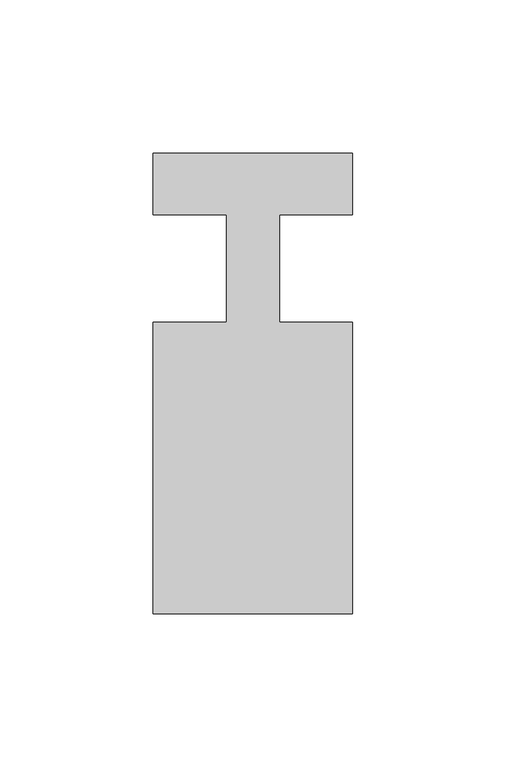
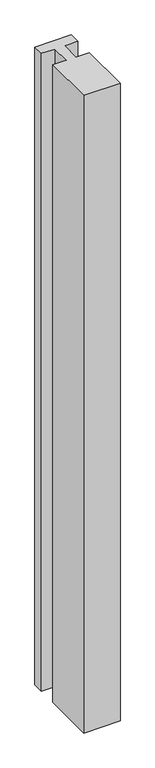
"""IFC4 building model written with IfcOpenShell, lengths in millimetres: member geometry."""

from ifc_helpers import new_model, si_unit, frame, origin, place, context, project, spatial, polyline, outline, extrude, source, transform, mapped, element, save


def member_b2529f46(model_context):
    return source(origin(), model_context, "Body", "SweptSolid", [
        extrude(outline(polyline([(0.0, 37.0), (0.0, 17.0), (-23.8125, 17.0), (-23.8125, -18.0), (0.0, -18.0), (0.0, -113.0), (-65.0, -113.0), (-65.0, -18.0), (-41.1875, -18.0), (-41.1875, 17.0), (-65.0, 17.0), (-65.0, 37.0), (0.0, 37.0)])), frame((0.0, 0.0, -1200.0), z_axis=(0.0, 0.0, 1.0), x_axis=(1.0, 0.0, 0.0)), (0.0, 0.0, 1.0), 1200.0),
    ])


if __name__ == "__main__":
    model = new_model("IFC4")
    model_context = context("Model", 3, world=origin())
    ifc_project = project(units=[si_unit("LENGTHUNIT", "METRE", prefix="MILLI")], contexts=[model_context])
    site = spatial("IfcSite", under=ifc_project)
    building = spatial("IfcBuilding", under=site)
    placement = place(None, origin())
    member_shape = member_b2529f46(model_context)
    element("IfcMember", 1, at=placement, inside=building, context=model_context, shape_type="MappedRepresentation", body=[
        mapped(member_shape, transform((0.0, 0.0, 0.0), x_axis=(1.0, 0.0, 0.0), y_axis=(0.0, 1.0, 0.0), z_axis=(0.0, 0.0, 1.0))),
    ])
    save(model, "model.ifc")
